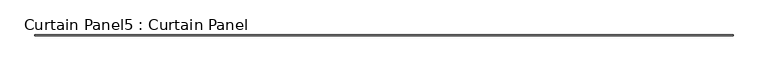
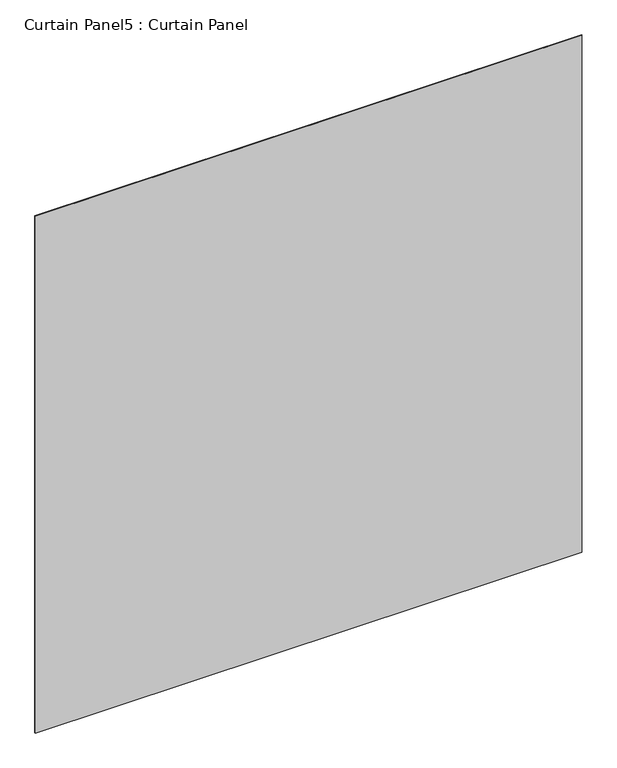
"""IFC4 building model written with IfcOpenShell, lengths in millimetres: plate geometry, Curtain Panel5 : Curtain Panel."""

from ifc_helpers import new_model, si_unit, frame, origin, place, context, project, spatial, polyline, outline, extrude, source, transform, mapped, element, save


def curtain_panel5_curtain_panel_f7423728(model_context):
    return source(origin(), model_context, "Body", "SweptSolid", [
        extrude(outline(polyline([(49220.7385221, 2929.6776643), (43207.2478826, 2929.6776643), (43207.2478826, 2936.0276643), (49220.7385221, 2936.0276643), (49220.7385221, 2929.6776643)])), frame((0.0, 0.0, 5179.2241896), z_axis=(0.0, 0.0, 1.0), x_axis=(1.0, 0.0, 0.0)), (0.0, 0.0, 1.0), 6010.275),
    ])


if __name__ == "__main__":
    model = new_model("IFC4")
    model_context = context("Model", 3, world=origin())
    ifc_project = project(units=[si_unit("LENGTHUNIT", "METRE", prefix="MILLI")], contexts=[model_context])
    site = spatial("IfcSite", under=ifc_project)
    building = spatial("IfcBuilding", under=site)
    placement = place(None, origin())
    curtain_panel5_curtain_panel_shape = curtain_panel5_curtain_panel_f7423728(model_context)
    element("IfcPlate", 1, ObjectType="Curtain Panel5 : Curtain Panel", at=placement, inside=building, context=model_context, shape_type="MappedRepresentation", body=[
        mapped(curtain_panel5_curtain_panel_shape, transform((0.0, 0.0, 0.0), x_axis=(1.0, 0.0, 0.0), y_axis=(0.0, 1.0, 0.0), z_axis=(0.0, 0.0, 1.0))),
    ])
    save(model, "model.ifc")
